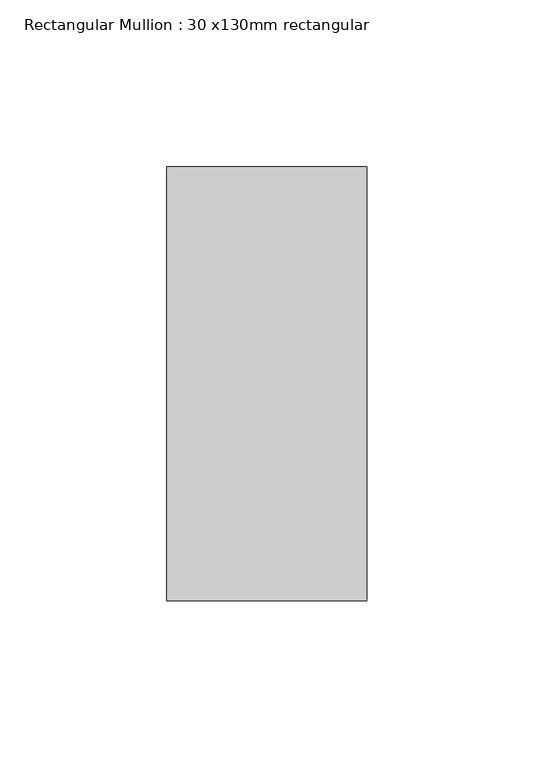
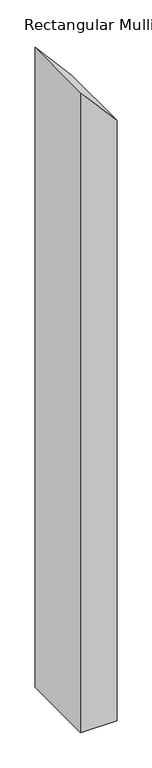
"""IFC4 building model written with IfcOpenShell, lengths in millimetres: member geometry, Rectangular Mullion : 30 x130mm rectangular."""

from ifc_helpers import new_model, si_unit, frame, origin, place, context, project, spatial, polyline, outline, extrude, source, transform, mapped, element, save


def rectangular_mullion_30_x130mm_rectangular_af41bff4(model_context):
    return source(origin(), model_context, "Body", "SweptSolid", [
        extrude(outline(polyline([(-126.2925301, 30.0), (-57.0104977, -30.0), (-1169.5019864, -30.0), (-1169.5019864, 30.0), (-126.2925301, 30.0)])), frame((0.0, -65.0, 0.0), z_axis=(0.0, 1.0, 0.0), x_axis=(0.0, 0.0, 1.0)), (0.0, 0.0, 1.0), 130.0),
    ])


if __name__ == "__main__":
    model = new_model("IFC4")
    model_context = context("Model", 3, world=origin())
    ifc_project = project(units=[si_unit("LENGTHUNIT", "METRE", prefix="MILLI")], contexts=[model_context])
    site = spatial("IfcSite", under=ifc_project)
    building = spatial("IfcBuilding", under=site)
    placement = place(None, origin())
    rectangular_mullion_30_x130mm_rectangular_shape = rectangular_mullion_30_x130mm_rectangular_af41bff4(model_context)
    element("IfcMember", 1, ObjectType="Rectangular Mullion : 30 x130mm rectangular", at=placement, inside=building, context=model_context, shape_type="MappedRepresentation", body=[
        mapped(rectangular_mullion_30_x130mm_rectangular_shape, transform((0.0, 0.0, 0.0), x_axis=(1.0, 0.0, 0.0), y_axis=(0.0, 1.0, 0.0), z_axis=(0.0, 0.0, 1.0))),
    ])
    save(model, "model.ifc")
